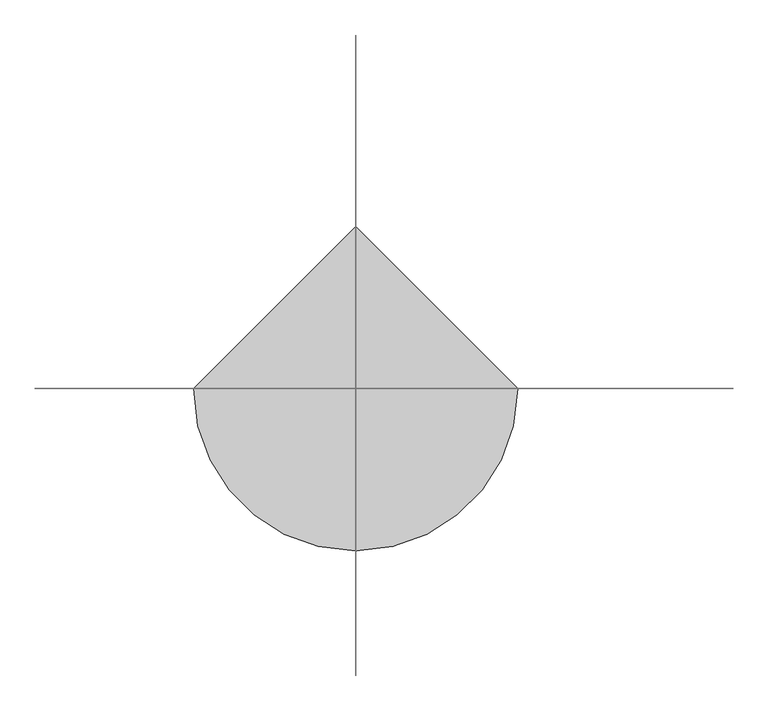
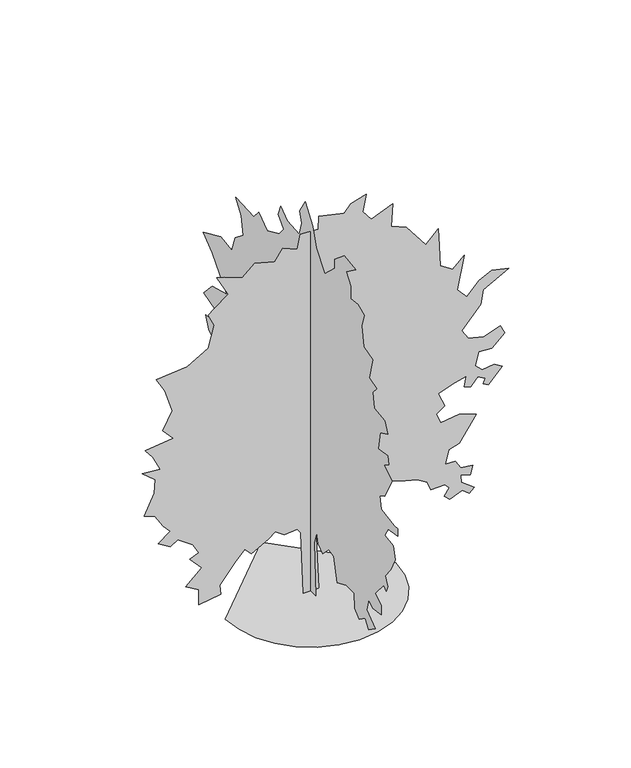
"""IFC4 building model written with IfcOpenShell, lengths in millimetres: geographic element geometry."""

from ifc_helpers import new_model, si_unit, origin, place, context, project, spatial, triangles, source, transform, mapped, element, save


def geographic_element_82d2ea66(model_context):
    return source(origin(), model_context, "Body", "Tessellation", [
        triangles([(-1049.2161169, 0.0, 0.0001471), (-1021.4800192, -240.4113067, 0.0001471), (-942.4798994, -461.1899454, 0.0001471), (-818.5492373, -656.0116293, 0.0001471), (-656.0116293, -818.5492373, 0.0001471), (-461.1899454, -942.4798994, 0.0001471), (-240.4106163, -1021.4800192, 0.0001471), (4.59e-05, -1049.2161169, 0.0001471), (240.4113067, -1021.4800192, 0.0001471), (461.1899454, -942.4798994, 0.0001471), (656.0116293, -818.5492373, 0.0001471), (818.5492373, -656.0116293, 0.0001471), (942.4798994, -461.1899454, 0.0001471), (1021.4800192, -240.4106163, 0.0001471), (1049.2161169, 9.17e-05, 0.0001471), (-0.0001376, 1049.2161169, 0.0001471), (-88.3340976, 0.0, 0.0021917), (-123.2014915, -4.78e-05, 801.9520672), (-165.0424878, -5.11e-05, 857.7437199), (-325.4335879, -5.03e-05, 843.7923185), (-437.0093719, -5.49e-05, 920.5076941), (-520.6914007, -5.11e-05, 857.7437199), (-729.8964363, -4.41e-05, 739.1950693), (-813.5770117, -4.95e-05, 829.8478935), (-932.1257349, -4.11e-05, 690.3783543), (-1120.4106085, -2.78e-05, 467.2260595), (-1106.4661835, -2.04e-05, 341.7030527), (-1378.4317051, -1.79e-05, 299.8620565), (-1378.4317051, -2.95e-05, 495.1205415), (-1538.8207523, -3.53e-05, 592.7497931), (-1343.5636299, -4.61e-05, 774.0631445), (-1490.0081795, -5.57e-05, 934.4521191), (-1378.4317051, -5.82e-05, 976.2924431), (-1455.1401043, -6.61e-05, 1108.7855913), (-1636.452729, -7.4e-05, 1241.2857159), (-1727.1056259, -7.02e-05, 1178.5218143), (-1880.5224243, -7.56e-05, 1269.1815422), (-1727.1056259, -8.23e-05, 1380.7580166), (-1817.7653538, -8.81e-05, 1478.3831623), (-1922.3695793, -9.81e-05, 1645.7512894), (-2047.8905514, -0.0001006, 1687.5916134), (-1929.3418282, -0.000116, 1945.6126373), (-1915.3904995, -0.0001264, 2119.9461823), (-2075.7863777, -0.0001343, 2252.4462341), (-1852.633429, -0.000133, 2231.5226566), (-1943.2863258, -0.0001442, 2419.8075302), (-2040.9183025, -0.0001513, 2538.3561081), (-1692.2374054, -0.0001538, 2580.1965775), (-1824.7376026, -0.0001625, 2726.641127), (-1706.1888794, -0.0001754, 2942.8218269), (-1796.8417763, -0.0001929, 3235.7109261), (-1901.4460018, -0.0002037, 3417.0167198), (-1517.9040058, -0.0002057, 3451.8846497), (-1259.8829819, -0.0002149, 3605.3014481), (-1190.1467588, -0.0002311, 3877.2740913), (-1259.8829819, -0.0002402, 4030.6908897), (-1190.1467588, -0.000244, 4093.4478149), (-1015.8132866, -0.0002515, 4218.975618), (-1155.2786837, -0.0002673, 4483.9690361), (-1064.6258595, -0.0002656, 4456.0730644), (-841.4729107, -0.0002606, 4372.3924164), (-688.0553856, -0.0002689, 4511.8577408), (-443.9830015, -0.0002648, 4442.1215904), (-346.3537499, -0.0002735, 4588.56614), (-165.0424878, -0.0002689, 4511.8577408), (-130.1751029, -0.0002797, 4693.1705109), (92.9771554, -0.0002789, 4679.2260132), (99.9507759, -0.0002889, 4846.5873093), (413.7586836, -0.0002847, 4776.8511589), (497.4399857, -0.0002901, 4867.5107414), (685.7255859, -0.0002939, 4930.2676666), (643.8838812, -0.000281, 4714.093943), (748.486726, -0.0002731, 4581.5938911), (1013.4799988, -0.0002793, 4686.198262), (992.5563486, -0.0002623, 4400.2814117), (1180.8412222, -0.0002577, 4323.5730125), (1417.9455723, -0.0002394, 4016.7394157), (1571.3623707, -0.0002486, 4170.1562141), (1585.3068684, -0.0002348, 3940.0310165), (1599.2512207, -0.000219, 3675.0375984), (1752.6749954, -0.0002132, 3577.4127434), (1892.1404652, -0.0002211, 3709.9058189), (1808.4598171, -0.0001962, 3291.4956024), (1927.0085403, -0.0001883, 3159.0025269), (2080.4253387, -0.0001979, 3319.3915741), (2233.8421371, -0.0002024, 3396.0999733), (2443.0505882, -0.0001995, 3347.2875458), (2129.2377663, -0.0001895, 3179.9192734), (2094.3766674, -0.0001787, 2998.6065033), (1864.2444935, -0.0001629, 2733.6133759), (1940.959869, -0.0001559, 2615.0645073), (2136.2169914, -0.000153, 2566.2520798), (2338.4463627, -0.0001571, 2635.9882301), (2394.231039, -0.0001505, 2524.4119011), (2233.8421371, -0.0001417, 2377.9672062), (2073.4530899, -0.0001426, 2391.9117039), (2031.6127659, -0.0001326, 2224.5504078), (2115.2934139, -0.0001276, 2140.8697598), (2261.7379635, -0.0001289, 2161.7865063), (2359.3699402, -0.0001251, 2099.0294357), (2192.0018131, -0.0001143, 1917.716811), (2129.2377663, -0.0001164, 1952.5848862), (2150.1614891, -0.0001201, 2015.3419567), (2059.5085922, -0.0001234, 2071.1336094), (1975.8209679, -0.0001172, 1966.5293839), (1892.1404652, -0.0001189, 1994.4252102), (1920.0362915, -0.0001268, 2126.9184311), (1773.5917419, -0.0001247, 2092.0503559), (1571.3623707, -0.0001201, 2015.3419567), (1655.0430187, -0.0001093, 1834.0361629), (1550.4387932, -0.0001047, 1757.3277637), (1606.2304459, -9.68e-05, 1624.8277119), (1829.3833946, -9.89e-05, 1659.695787), (2038.5850147, -9.48e-05, 1589.9596367), (1829.3833946, -7.65e-05, 1283.1260399), (1703.8555916, -7.4e-05, 1241.2857159), (1662.0152676, -6.36e-05, 1066.94534), (1780.5639908, -6.36e-05, 1066.94534), (1850.3001411, -5.69e-05, 955.3687929), (1996.7446907, -5.57e-05, 934.4521191), (1968.8488644, -4.9e-05, 822.8756447), (1850.3001411, -5.11e-05, 857.7437199), (1857.27239, -4.57e-05, 767.0839193), (2017.6682682, -3.82e-05, 641.5637466), (1954.9043667, -3.49e-05, 585.7761635), (1871.2237186, -3.91e-05, 655.5109331), (1717.8069202, -3.53e-05, 592.7497931), (1648.0707699, -3.91e-05, 655.5109331), (1710.8278404, -4.45e-05, 746.1672455), (1655.0430187, -4.78e-05, 801.9520672), (1480.7026428, -4.78e-05, 801.9520672), (1438.8623188, -5.45e-05, 913.5285416), (1313.3413467, -5.9e-05, 990.2369408), (1166.8967972, -6.11e-05, 1025.1050159), (922.8271019, -6.57e-05, 1101.8134151), (853.0909515, -5.9e-05, 990.2369408), (776.3825523, -6.32e-05, 1059.9730911), (741.5144772, -6.73e-05, 1129.7092415), (602.0428305, -6.73e-05, 1129.7092415), (532.3080608, -6.98e-05, 1171.5495655), (288.2349501, -6.61e-05, 1108.7855913), (99.9507759, -5.9e-05, 990.2369408), (65.0829687, -4.82e-05, 808.9312197), (99.9507759, 0.0, 0.0001317), (0.0, 101.036193, 0.0), (0.0, 87.0896514, 732.2158442), (0.0, 156.8244392, 1025.1050159), (0.0, 282.3474461, 1185.4939905), (0.0, 540.3670893, 1276.153791), (0.0, 700.7575172, 1066.94534), (0.0, 756.5492426, 1185.4939905), (0.0, 972.7230389, 1115.7578402), (0.0, 1126.1397646, 1136.6814903), (0.0, 1328.3760395, 927.4729666), (0.0, 1502.7095844, 711.2991703), (0.0, 1684.0222092, 697.347769), (0.0, 1579.4179836, 885.6326426), (0.0, 1816.522261, 962.3410418), (0.0, 1677.0499603, 1025.1050159), (0.0, 1432.9734341, 1136.6814903), (0.0, 1572.4457348, 1345.8899414), (0.0, 1704.9457867, 1506.2789886), (0.0, 1649.154134, 1694.5638622), (0.0, 1760.7306084, 1924.6890598), (0.0, 1893.2306602, 1861.9251583), (0.0, 2074.536454, 1799.1680878), (0.0, 2207.0365059, 1806.1403366), (0.0, 2053.6197075, 2015.3419567), (0.0, 2172.1684307, 2092.0503559), (0.0, 2234.9323322, 2245.4671543), (0.0, 2053.6197075, 2252.4392578), (0.0, 2025.7238811, 2426.7797791), (0.0, 2276.7726563, 2503.4881783), (0.0, 2095.4600315, 2698.7451553), (0.0, 1788.6264347, 2782.4258034), (0.0, 2095.4600315, 3138.078804), (0.0, 2290.7171539, 3284.5233536), (0.0, 1914.1474068, 3451.8846497), (0.0, 1684.0222092, 3417.0167198), (0.0, 1614.2860588, 3619.2529221), (0.0, 1432.9734341, 3765.6904953), (0.0, 1481.7928379, 3988.8434441), (0.0, 1600.3415611, 4156.2117165), (0.0, 1209.827389, 4142.2602425), (0.0, 1112.1953396, 4260.8157967), (0.0, 930.8827148, 4128.3157448), (0.0, 672.8644524, 4246.8646133), (0.0, 575.2352008, 4365.4131912), (0.0, 686.8109848, 4490.9409943), (0.0, 637.9963772, 4623.4343605), (0.0, 498.5268016, 4518.8299896), (0.0, 247.4800612, 4497.9132431), (0.0, 184.718903, 4679.2260132), (0.0, 233.5328203, 4811.7190887), (0.0, 114.9834249, 5000.0041077), (0.0, -45.4071212, 4776.8511589), (0.0, -122.1153751, 4546.7259613), (0.0, -303.4266282, 4316.6007637), (0.0, -519.6052752, 4518.8299896), (0.0, -512.6323723, 4630.4066093), (0.0, -721.8339197, 4804.7468399), (0.0, -958.9382698, 4762.9066612), (0.0, -756.7019949, 4616.4621117), (0.0, -854.3340443, 4483.9620598), (0.0, -854.3340443, 4323.5730125), (0.0, -1007.7508427, 4344.4964447), (0.0, -1147.2231434, 4288.704792), (0.0, -1091.431418, 4114.3712471), (0.0, -1133.2717421, 3870.2948662), (0.0, -1321.5566883, 3814.5098991), (0.0, -1251.8273689, 3535.5652977), (0.0, -1412.2164162, 3486.7528702), (0.0, -1328.5357681, 3396.0999733), (0.0, -1356.4247635, 3200.8429962), (0.0, -1579.5777122, 3172.9470245), (0.0, -1642.3416138, 3033.4747238), (0.0, -1481.9525665, 2956.7663246), (0.0, -1447.0844913, 2726.641127), (0.0, -1642.3416138, 2754.536808), (0.0, -1670.2374401, 2656.9049767), (0.0, -1558.6609657, 2587.1688263), (0.0, -1739.9666142, 2482.5714317), (0.0, -1579.5777122, 2189.6823326), (0.0, -1474.9733414, 2133.8906799), (0.0, -1502.869313, 1973.5016327), (0.0, -1788.7861633, 1931.6613087), (0.0, -1858.5223137, 1938.6335575), (0.0, -1858.5223137, 1841.0084118), (0.0, -1656.2861115, 1806.1403366), (0.0, -1586.5499611, 1687.5916134), (0.0, -1767.8625858, 1659.695787), (0.0, -1802.730661, 1499.3067398), (0.0, -1712.0777641, 1311.0218662), (0.0, -1593.5290409, 1164.5773167), (0.0, -1649.3138626, 1053.0008423), (0.0, -1614.4457874, 976.2924431), (0.0, -1565.6332146, 1025.1050159), (0.0, -1377.348341, 801.9520672), (0.0, -1509.8415619, 718.2714191), (0.0, -1509.8415619, 606.6949448), (0.0, -1321.5566883, 571.8275599), (0.0, -1237.8760403, 634.5893904), (0.0, -1196.0357162, 481.1719016), (0.0, -1377.348341, 341.701672), (0.0, -1237.8760403, 244.0731108), (0.0, -1161.1675684, 348.6752652), (0.0, -1035.646669, 258.0196614), (0.0, -944.9868685, 348.6752652), (0.0, -931.0424435, 529.9865456), (0.0, -763.6811474, 536.9601388), (0.0, -568.4199191, 453.2781464), (0.0, -498.6851131, 753.1394943), (0.0, -387.1086388, 767.0839193), (0.0, -258.0988172, 641.5622932), (0.0, -163.9570707, 711.2991703), (0.0, -129.0896859, 836.8201424), (0.0, -80.2743698, 683.403344), (0.0, -108.1688335, 0.0007357)], [[15, 16, 1], [14, 15, 1], [14, 1, 2], [13, 14, 2], [13, 2, 3], [13, 3, 4], [12, 13, 4], [11, 12, 4], [11, 4, 5], [11, 5, 6], [11, 6, 7], [11, 7, 8], [11, 8, 9], [11, 9, 10], [43, 44, 45], [81, 82, 83], [86, 87, 88], [85, 86, 88], [58, 59, 60], [77, 78, 79], [46, 47, 48], [58, 60, 61], [70, 71, 72], [84, 85, 88], [73, 74, 75], [51, 52, 53], [36, 37, 38], [35, 36, 38], [31, 32, 33], [84, 88, 89], [113, 114, 115], [29, 30, 31], [123, 124, 125], [123, 125, 126], [135, 136, 137], [67, 68, 69], [99, 100, 101], [98, 99, 101], [112, 113, 115], [112, 115, 116], [143, 144, 17], [143, 17, 18], [27, 28, 29], [26, 27, 29], [40, 41, 42], [119, 120, 121], [119, 121, 122], [69, 70, 72], [26, 29, 31], [25, 26, 31], [84, 89, 90], [105, 106, 107], [104, 105, 107], [45, 46, 48], [127, 128, 129], [126, 127, 129], [123, 126, 129], [122, 123, 129], [122, 129, 130], [65, 66, 67], [92, 93, 94], [92, 94, 95], [92, 95, 96], [91, 92, 96], [101, 102, 103], [98, 101, 103], [98, 103, 104], [97, 98, 104], [97, 104, 107], [135, 137, 138], [63, 64, 65], [109, 110, 111], [142, 143, 18], [142, 18, 19], [22, 23, 24], [119, 122, 130], [118, 119, 130], [117, 118, 130], [117, 130, 131], [117, 131, 132], [55, 56, 57], [48, 49, 50], [50, 51, 53], [25, 31, 33], [24, 25, 33], [117, 132, 133], [116, 117, 133], [112, 116, 133], [112, 133, 134], [112, 134, 135], [111, 112, 135], [77, 79, 80], [61, 62, 63], [111, 135, 138], [55, 57, 58], [83, 84, 90], [109, 111, 138], [109, 138, 139], [109, 139, 140], [80, 81, 83], [24, 33, 34], [91, 96, 97], [91, 97, 107], [91, 107, 108], [91, 108, 109], [90, 91, 109], [19, 20, 21], [142, 19, 21], [50, 53, 54], [69, 72, 73], [67, 69, 73], [65, 67, 73], [65, 73, 75], [48, 50, 54], [21, 22, 24], [21, 24, 34], [58, 61, 63], [55, 58, 63], [54, 55, 63], [54, 63, 65], [54, 65, 75], [48, 54, 75], [48, 75, 76], [48, 76, 77], [48, 77, 80], [48, 80, 83], [48, 83, 90], [48, 90, 109], [48, 109, 140], [48, 140, 141], [48, 141, 142], [48, 142, 21], [48, 21, 34], [45, 48, 34], [45, 34, 35], [45, 35, 38], [45, 38, 39], [45, 39, 40], [45, 40, 42], [45, 42, 43], [157, 158, 159], [201, 202, 203], [182, 183, 184], [155, 156, 157], [166, 167, 168], [200, 201, 203], [176, 177, 178], [154, 155, 157], [149, 150, 151], [172, 173, 174], [211, 212, 213], [165, 166, 168], [194, 195, 196], [193, 194, 196], [235, 236, 237], [169, 170, 171], [243, 244, 245], [243, 245, 246], [189, 190, 191], [188, 189, 191], [157, 159, 160], [154, 157, 160], [153, 154, 160], [250, 251, 252], [234, 235, 237], [199, 200, 203], [226, 227, 228], [226, 228, 229], [225, 226, 229], [193, 196, 197], [192, 193, 197], [168, 169, 171], [258, 145, 146], [257, 258, 146], [172, 174, 175], [221, 222, 223], [215, 216, 217], [214, 215, 217], [256, 257, 146], [256, 146, 147], [209, 210, 211], [184, 185, 186], [206, 207, 208], [218, 219, 220], [218, 220, 221], [246, 247, 248], [246, 248, 249], [243, 246, 249], [242, 243, 249], [253, 254, 255], [253, 255, 256], [239, 240, 241], [238, 239, 241], [238, 241, 242], [205, 206, 208], [199, 203, 204], [199, 204, 205], [198, 199, 205], [225, 229, 230], [181, 182, 184], [175, 176, 178], [175, 178, 179], [164, 165, 168], [164, 168, 171], [230, 231, 232], [230, 232, 233], [188, 191, 192], [221, 223, 224], [181, 184, 186], [192, 197, 198], [230, 233, 234], [153, 160, 161], [161, 162, 163], [153, 161, 163], [164, 171, 172], [164, 172, 175], [218, 221, 224], [198, 205, 208], [198, 208, 209], [198, 209, 211], [188, 192, 198], [187, 188, 198], [187, 198, 211], [186, 187, 211], [181, 186, 211], [181, 211, 213], [181, 213, 214], [181, 214, 217], [181, 217, 218], [181, 218, 224], [180, 181, 224], [179, 180, 224], [175, 179, 224], [164, 175, 224], [163, 164, 224], [153, 163, 224], [152, 153, 224], [151, 152, 224], [149, 151, 224], [148, 149, 224], [148, 224, 225], [147, 148, 225], [256, 147, 225], [253, 256, 225], [252, 253, 225], [252, 225, 230], [252, 230, 234], [252, 234, 237], [252, 237, 238], [250, 252, 238], [249, 250, 238], [242, 249, 238]], closed=False),
    ])


if __name__ == "__main__":
    model = new_model("IFC4")
    model_context = context("Model", 3, world=origin())
    ifc_project = project(units=[si_unit("LENGTHUNIT", "METRE", prefix="MILLI")], contexts=[model_context])
    site = spatial("IfcSite", under=ifc_project)
    building = spatial("IfcBuilding", under=site)
    placement = place(None, origin())
    geographic_element_shape = geographic_element_82d2ea66(model_context)
    element("IfcGeographicElement", 1, at=placement, inside=building, context=model_context, shape_type="MappedRepresentation", body=[
        mapped(geographic_element_shape, transform((0.0, 0.0, 0.0), x_axis=(1.0, 0.0, 0.0), y_axis=(0.0, 1.0, 0.0), z_axis=(0.0, 0.0, 1.0))),
    ])
    save(model, "model.ifc")
